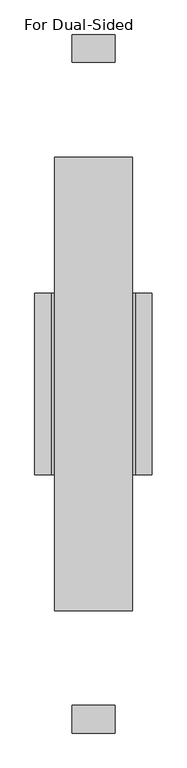
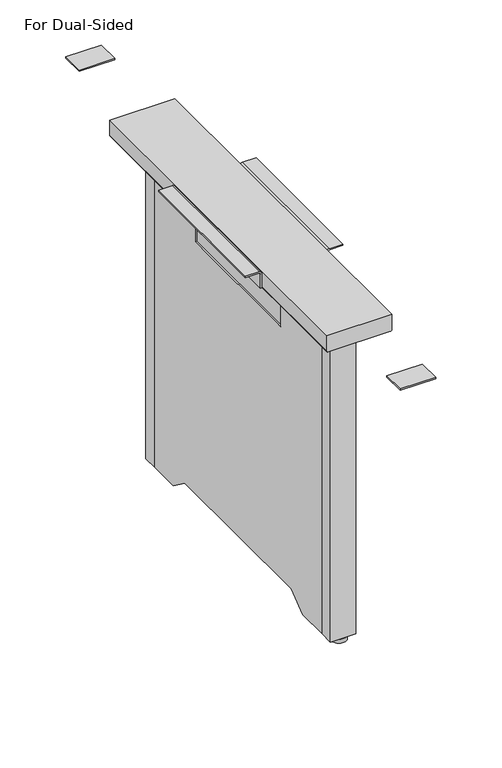
"""IFC4 building model written with IfcOpenShell, lengths in millimetres: furniture geometry, For Dual-Sided."""

import ifcopenshell
import ifcopenshell.guid

model = None  # the IFC model being written
_history = None  # IfcOwnerHistory: only IFC2X3 demands one
_inside = {}  # id of a spatial element -> (the spatial element, [elements in it])
_under = {}  # id of a project, library or spatial element -> (it, [spatial elements below it])
_declared = {}  # id of a project -> (the project, [libraries it declares])
_typed = {}  # id of a type object -> (the type object, [elements of that type])
_made_of = {}  # id of a material, layer set ... -> (it, [elements and type objects made of it])


def new_model(schema):
    """Start an empty IFC model of exactly this schema.

    Asked for "IFC4X3", IfcOpenShell would pick the latest addendum, in which some entities
    have other attributes; the version numbers below select the first issue.
    IFC2X3 requires an IfcOwnerHistory on every rooted entity: one is made here for all.
    """
    global model, _history
    if schema == "IFC4X3":
        model = ifcopenshell.file(schema_version=(4, 3, 0, 0))
    else:
        model = ifcopenshell.file(schema=schema)
    _inside.clear()
    _under.clear()
    _declared.clear()
    _typed.clear()
    _made_of.clear()
    _history = None
    if model.schema == "IFC2X3":
        org = make("IfcOrganization", Name="unknown")
        user = make(
            "IfcPersonAndOrganization",
            ThePerson=make("IfcPerson", FamilyName="unknown"),
            TheOrganization=org,
        )
        app = make(
            "IfcApplication",
            ApplicationDeveloper=org,
            Version="unknown",
            ApplicationFullName="unknown",
            ApplicationIdentifier="unknown",
        )
        _history = make(
            "IfcOwnerHistory",
            OwningUser=user,
            OwningApplication=app,
            ChangeAction="ADDED",
            CreationDate=0,
        )
    return model


def make(cls, **values):
    """One entity of the class cls with the attributes given. An attribute that is None is left unset."""
    return model.create_entity(
        cls, **{name: value for name, value in values.items() if value is not None}
    )


def rooted(cls, **values):
    """An entity with a GlobalId (a new one), such as an element, a storey or a relation."""
    return make(cls, GlobalId=ifcopenshell.guid.new(), OwnerHistory=_history, **values)


def si_unit(unit_type, name, prefix=None):
    """IfcSIUnit, for example si_unit("LENGTHUNIT", "METRE", prefix="MILLI")."""
    return make("IfcSIUnit", UnitType=unit_type, Prefix=prefix, Name=name)


def assignment(units):
    """IfcUnitAssignment: the units of a project."""
    return None if units is None else make("IfcUnitAssignment", Units=units)


def point(xyz):
    """IfcCartesianPoint."""
    return None if xyz is None else make("IfcCartesianPoint", Coordinates=xyz)


def direction(xyz):
    """IfcDirection."""
    return None if xyz is None else make("IfcDirection", DirectionRatios=xyz)


def frame(location, z_axis=None, x_axis=None):
    """IfcAxis2Placement3D, a coordinate frame: its origin and axes. An axis left out is left unset."""
    return make(
        "IfcAxis2Placement3D",
        Location=point(location),
        Axis=direction(z_axis),
        RefDirection=direction(x_axis),
    )


def frame_2d(location, x_axis=None):
    """IfcAxis2Placement2D, a coordinate frame in the plane: its origin and x axis."""
    return make(
        "IfcAxis2Placement2D", Location=point(location), RefDirection=direction(x_axis)
    )


def origin():
    """The frame at (0, 0, 0) with its axes left unset."""
    return frame((0.0, 0.0, 0.0))


def origin_with_axes():
    """The frame at (0, 0, 0) with the z axis (0, 0, 1) and the x axis (1, 0, 0) written out."""
    return frame((0.0, 0.0, 0.0), z_axis=(0.0, 0.0, 1.0), x_axis=(1.0, 0.0, 0.0))


def place(relative_to, where):
    """IfcLocalPlacement: puts the frame where relative to a parent placement (None: the world)."""
    return make(
        "IfcLocalPlacement", PlacementRelTo=relative_to, RelativePlacement=where
    )


def context(
    kind, dimensions, precision=None, world=None, true_north=None, identifier=None
):
    """IfcGeometricRepresentationContext, for example the 3D "Model" context."""
    return make(
        "IfcGeometricRepresentationContext",
        ContextIdentifier=identifier,
        ContextType=kind,
        CoordinateSpaceDimension=dimensions,
        Precision=precision,
        WorldCoordinateSystem=world,
        TrueNorth=true_north,
    )


def project(units=None, contexts=None):
    """IfcProject with its units and contexts."""
    return rooted(
        "IfcProject",
        Name="project",
        RepresentationContexts=contexts,
        UnitsInContext=assignment(units),
    )


def spatial(cls, under=None, at=None, **own):
    """A site, building, storey or space (cls), placed at a placement, below another one or the project."""
    s = rooted(cls, ObjectPlacement=at, **own)
    if under is not None:
        _under.setdefault(under.id(), (under, []))[1].append(s)
    return s


def polyline(points):
    """IfcPolyline through the points."""
    return make("IfcPolyline", Points=[point(p) for p in points])


def circle_curve(where, radius):
    """IfcCircle in the frame where."""
    return make("IfcCircle", Position=where, Radius=radius)


def trimmed(basis, trim1, trim2, sense, master):
    """IfcTrimmedCurve: the piece of a basis curve between two trims."""
    return make(
        "IfcTrimmedCurve",
        BasisCurve=basis,
        Trim1=trim1,
        Trim2=trim2,
        SenseAgreement=sense,
        MasterRepresentation=master,
    )


def segment(curve, same_sense, transition):
    """IfcCompositeCurveSegment."""
    return make(
        "IfcCompositeCurveSegment",
        Transition=transition,
        SameSense=same_sense,
        ParentCurve=curve,
    )


def composite_curve(segments, self_intersect=None):
    """IfcCompositeCurve: segments joined end to end."""
    return make("IfcCompositeCurve", Segments=segments, SelfIntersect=self_intersect)


def outline(outer, holes=None, kind="AREA"):
    """IfcArbitraryClosedProfileDef: a profile drawn as a closed curve; with holes, ...WithVoids."""
    if holes is None:
        return make("IfcArbitraryClosedProfileDef", ProfileType=kind, OuterCurve=outer)
    return make(
        "IfcArbitraryProfileDefWithVoids",
        ProfileType=kind,
        OuterCurve=outer,
        InnerCurves=holes,
    )


def extrude(swept, where, along, depth):
    """IfcExtrudedAreaSolid: the profile swept, set in the frame where, extruded along a direction by depth."""
    return make(
        "IfcExtrudedAreaSolid",
        SweptArea=swept,
        Position=where,
        ExtrudedDirection=direction(along),
        Depth=depth,
    )


def shape(context_of_items, identifier, shape_type, items):
    """IfcShapeRepresentation: the items that make up one representation, for example the "Body"."""
    return make(
        "IfcShapeRepresentation",
        ContextOfItems=context_of_items,
        RepresentationIdentifier=identifier,
        RepresentationType=shape_type,
        Items=items,
    )


def source(mapping_origin, context_of_items, identifier, shape_type, items):
    """IfcRepresentationMap: a shape defined once, which mapped items show again and again."""
    return make(
        "IfcRepresentationMap",
        MappingOrigin=mapping_origin,
        MappedRepresentation=shape(context_of_items, identifier, shape_type, items),
    )


def transform(
    local_origin,
    x_axis=None,
    y_axis=None,
    z_axis=None,
    scale=None,
    scale2=None,
    scale3=None,
    uniform=True,
):
    """IfcCartesianTransformationOperator3D, or its non-uniform kind. x_axis, y_axis, z_axis: its Axis1, 2, 3."""
    if uniform:
        return make(
            "IfcCartesianTransformationOperator3D",
            Axis1=direction(x_axis),
            Axis2=direction(y_axis),
            LocalOrigin=point(local_origin),
            Scale=scale,
            Axis3=direction(z_axis),
        )
    return make(
        "IfcCartesianTransformationOperator3DnonUniform",
        Axis1=direction(x_axis),
        Axis2=direction(y_axis),
        LocalOrigin=point(local_origin),
        Scale=scale,
        Axis3=direction(z_axis),
        Scale2=scale2,
        Scale3=scale3,
    )


def mapped(mapping_source, mapping_target):
    """IfcMappedItem: shows the shape of a source again, moved by a transform."""
    return make(
        "IfcMappedItem", MappingSource=mapping_source, MappingTarget=mapping_target
    )


def made_of(thing, what):
    """Note that an element or type object is made of a material, layer set ...; save() writes the relation."""
    if what is not None:
        _made_of.setdefault(what.id(), (what, []))[1].append(thing)
    return thing


def element(
    cls,
    number,
    at=None,
    inside=None,
    cuts=None,
    type_object=None,
    material=None,
    context=None,
    identifier="Body",
    shape_type=None,
    held_by="IfcProductDefinitionShape",
    body=None,
    shapes=None,
    **own,
):
    """One element of the class cls, such as IfcWall. Its Tag is "e" and its number.

    at: its placement. inside: the storey or other place that contains it. cuts: it is an
    opening in that element (IfcRelVoidsElement). A single representation is given by context,
    identifier, shape_type and body (its items); several are given by shapes. held_by: the class
    of the entity that holds the representations. save() writes the other relations.
    """
    e = rooted(cls, Tag="e%d" % number, ObjectPlacement=at, **own)
    if body is not None:
        shapes = [shape(context, identifier, shape_type, body)]
    if shapes is not None:
        e.Representation = make(held_by, Representations=shapes)
    if inside is not None:
        _inside.setdefault(inside.id(), (inside, []))[1].append(e)
    if cuts is not None:
        rooted(
            "IfcRelVoidsElement", RelatingBuildingElement=cuts, RelatedOpeningElement=e
        )
    if type_object is not None:
        _typed.setdefault(type_object.id(), (type_object, []))[1].append(e)
    return made_of(e, material)


def aggregate(whole, parts):
    """IfcRelAggregates: a whole, such as a stair, and the parts it consists of."""
    return rooted("IfcRelAggregates", RelatingObject=whole, RelatedObjects=parts)


def save(model, path):
    """Write the relations noted so far, then the file.

    IfcRelAggregates (storeys below a building ...), IfcRelContainedInSpatialStructure (elements
    in a storey), IfcRelDefinesByType, IfcRelAssociatesMaterial and IfcRelDeclares: one each for
    every whole, place, type object, material and project.
    """
    for whole, parts in _under.values():
        aggregate(whole, parts)
    for where, things in _inside.values():
        rooted(
            "IfcRelContainedInSpatialStructure",
            RelatedElements=things,
            RelatingStructure=where,
        )
    for kind, things in _typed.values():
        rooted("IfcRelDefinesByType", RelatedObjects=things, RelatingType=kind)
    for what, things in _made_of.values():
        rooted("IfcRelAssociatesMaterial", RelatedObjects=things, RelatingMaterial=what)
    for by, libraries in _declared.values():
        rooted("IfcRelDeclares", RelatingContext=by, RelatedDefinitions=libraries)
    model.write(path)


def for_dual_sided_09580810(model_context):
    return source(origin(), model_context, "Body", "SweptSolid", [
        extrude(outline(polyline([(221.1863375, 10.0042499), (181.1573002, 39.7019184), (-181.1573002, 39.7019184), (-221.1863375, 10.0042499), (-285.0, 10.0048604), (-285.0, 648.999877), (-146.1826908, 648.999877), (-146.1826908, 563.999877), (146.1826908, 563.999877), (146.1826908, 648.999877), (285.0, 648.999877), (285.0, 10.0048604), (221.1863375, 10.0042499)])), frame((-25.0, 0.0, 0.0), z_axis=(1.0, 0.0, 0.0), x_axis=(0.0, 1.0, 0.0)), (0.0, 0.0, 1.0), 3.0),
        extrude(outline(polyline([(221.1863375, 10.0042499), (181.1573002, 39.7019184), (-181.1573002, 39.7019184), (-221.1863375, 10.0042499), (-285.0, 10.0048604), (-285.0, 648.999877), (-146.1826908, 648.999877), (-146.1826908, 563.999877), (146.1826908, 563.999877), (146.1826908, 648.999877), (285.0, 648.999877), (285.0, 10.0048604), (221.1863375, 10.0042499)])), frame((22.0, 0.0, 0.0), z_axis=(1.0, 0.0, 0.0), x_axis=(0.0, 1.0, 0.0)), (0.0, 0.0, 1.0), 3.0),
        extrude(outline(composite_curve([segment(trimmed(circle_curve(frame_2d((0.0, 300.0)), 15.0), [point((-15.0, 300.0))], [point((15.0, 300.0))], False, "CARTESIAN"), True, "CONTINUOUS"), segment(trimmed(circle_curve(frame_2d((0.0, 300.0)), 15.0), [point((15.0, 300.0))], [point((-15.0, 300.0))], False, "CARTESIAN"), True, "CONTINUOUS")], self_intersect=False)), origin_with_axes(), (0.0, 0.0, 1.0), 8.4998943),
        extrude(outline(composite_curve([segment(trimmed(circle_curve(frame_2d((0.0, -300.0)), 15.0), [point((-15.0, -300.0))], [point((15.0, -300.0))], False, "CARTESIAN"), True, "CONTINUOUS"), segment(trimmed(circle_curve(frame_2d((0.0, -300.0)), 15.0), [point((15.0, -300.0))], [point((-15.0, -300.0))], False, "CARTESIAN"), True, "CONTINUOUS")], self_intersect=False)), origin_with_axes(), (0.0, 0.0, 1.0), 8.4998943),
        extrude(outline(polyline([(25.0, 315.0), (25.0, 285.0), (-25.0, 285.0), (-25.0, 315.0), (25.0, 315.0)])), frame((0.0, 0.0, 9.9920306), z_axis=(0.0, 0.0, 1.0), x_axis=(1.0, 0.0, 0.0)), (0.0, 0.0, 1.0), 650.0080723),
        extrude(outline(polyline([(25.0, -315.0), (-25.0, -315.0), (-25.0, -285.0), (25.0, -285.0), (25.0, -315.0)])), frame((0.0, 0.0, 9.9920306), z_axis=(0.0, 0.0, 1.0), x_axis=(1.0, 0.0, 0.0)), (0.0, 0.0, 1.0), 650.0080723),
        extrude(outline(polyline([(35.0, 525.0), (-35.0, 525.0), (-35.0, 570.0), (35.0, 570.0), (35.0, 525.0)])), frame((0.0, 0.0, 692.0000542), z_axis=(0.0, 0.0, 1.0), x_axis=(1.0, 0.0, 0.0)), (0.0, 0.0, 1.0), 2.9999458),
        extrude(outline(polyline([(35.0, -525.0), (35.0, -570.0), (-35.0, -570.0), (-35.0, -525.0), (35.0, -525.0)])), frame((0.0, 0.0, 692.0000542), z_axis=(0.0, 0.0, 1.0), x_axis=(1.0, 0.0, 0.0)), (0.0, 0.0, 1.0), 2.9999458),
        extrude(outline(composite_curve([segment(polyline([(695.0, -69.0), (695.0, -96.0), (692.0, -96.0), (692.0, -70.0)]), True, "CONTINUOUS"), segment(trimmed(circle_curve(frame_2d((689.0, -70.0)), 3.0), [point((692.0, -70.0))], [point((689.0, -67.0))], True, "CARTESIAN"), True, "CONTINUOUS"), segment(polyline([(689.0, -67.0), (660.0001029, -67.0), (660.0001029, -64.0), (690.0, -64.0)]), True, "CONTINUOUS"), segment(trimmed(circle_curve(frame_2d((690.0, -69.0)), 5.0), [point((690.0, -64.0))], [point((695.0, -69.0))], False, "CARTESIAN"), True, "CONTINUOUS")], self_intersect=False)), frame((0.0, -147.9971619, 0.0), z_axis=(0.0, 1.0, 0.0), x_axis=(0.0, 0.0, 1.0)), (0.0, 0.0, 1.0), 295.9943238),
        extrude(outline(composite_curve([segment(trimmed(circle_curve(frame_2d((690.0, 69.0)), 5.0), [point((695.0, 69.0))], [point((690.0, 64.0))], False, "CARTESIAN"), True, "CONTINUOUS"), segment(polyline([(690.0, 64.0), (660.0001029, 64.0), (660.0001029, 67.0), (689.0, 67.0)]), True, "CONTINUOUS"), segment(trimmed(circle_curve(frame_2d((689.0, 70.0)), 3.0), [point((689.0, 67.0))], [point((692.0, 70.0))], True, "CARTESIAN"), True, "CONTINUOUS"), segment(polyline([(692.0, 70.0), (692.0, 96.0), (695.0, 96.0), (695.0, 69.0)]), True, "CONTINUOUS")], self_intersect=False)), frame((0.0, -147.9971619, 0.0), z_axis=(0.0, 1.0, 0.0), x_axis=(0.0, 0.0, 1.0)), (0.0, 0.0, 1.0), 295.9943238),
        extrude(outline(composite_curve([segment(polyline([(695.0, 64.0), (695.0, -64.0), (663.0001029, -64.0)]), True, "CONTINUOUS"), segment(trimmed(circle_curve(frame_2d((663.0001029, -61.0)), 3.0), [point((663.0001029, -64.0))], [point((660.0001029, -61.0))], False, "CARTESIAN"), True, "CONTINUOUS"), segment(polyline([(660.0001029, -61.0), (660.0001029, 61.0)]), True, "CONTINUOUS"), segment(trimmed(circle_curve(frame_2d((663.0001029, 61.0)), 3.0), [point((660.0001029, 61.0))], [point((663.0001029, 64.0))], False, "CARTESIAN"), True, "CONTINUOUS"), segment(polyline([(663.0001029, 64.0), (695.0, 64.0)]), True, "CONTINUOUS")], self_intersect=False)), frame((0.0, -370.0, 0.0), z_axis=(0.0, 1.0, 0.0), x_axis=(0.0, 0.0, 1.0)), (0.0, 0.0, 1.0), 740.0),
    ])


if __name__ == "__main__":
    model = new_model("IFC4")
    model_context = context("Model", 3, world=origin())
    ifc_project = project(units=[si_unit("LENGTHUNIT", "METRE", prefix="MILLI")], contexts=[model_context])
    site = spatial("IfcSite", under=ifc_project)
    building = spatial("IfcBuilding", under=site)
    placement = place(None, origin())
    for_dual_sided_shape = for_dual_sided_09580810(model_context)
    element("IfcFurniture", 1, ObjectType="For Dual-Sided", at=placement, inside=building, context=model_context, shape_type="MappedRepresentation", body=[
        mapped(for_dual_sided_shape, transform((0.0, 0.0, 0.0), x_axis=(1.0, 0.0, 0.0), y_axis=(0.0, 1.0, 0.0), z_axis=(0.0, 0.0, 1.0))),
    ])
    save(model, "model.ifc")
